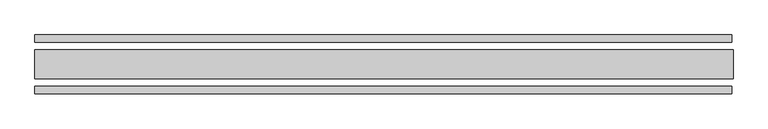
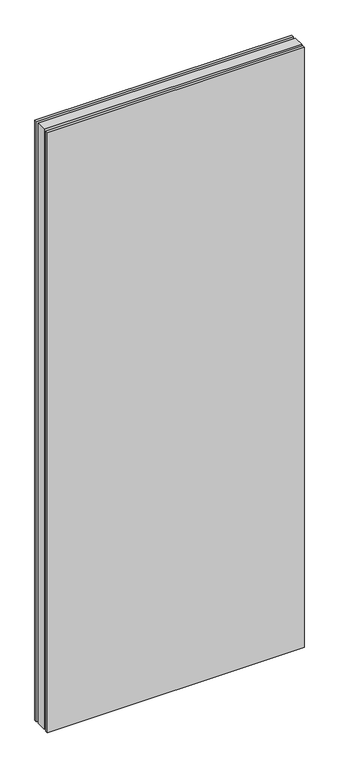
"""IFC4 building model written with IfcOpenShell, lengths in millimetres: plate geometry."""

from ifc_helpers import new_model, si_unit, origin, origin_with_axes, place, context, project, spatial, polyline, outline, extrude, source, transform, mapped, element, save


def plate_38be65d9(model_context):
    return source(origin(), model_context, "Body", "SweptSolid", [
        extrude(outline(polyline([(595.0, 25.0), (595.0, -25.0), (-593.0, -25.0), (-593.0, 25.0), (595.0, 25.0)])), origin_with_axes(), (0.0, 0.0, 1.0), 2930.0),
        extrude(outline(polyline([(593.0, 50.0), (593.0, 37.5), (-593.0, 37.5), (-593.0, 50.0), (593.0, 50.0)])), origin_with_axes(), (0.0, 0.0, 1.0), 2930.0),
        extrude(outline(polyline([(-593.0, -37.5), (593.0, -37.5), (593.0, -50.0), (-593.0, -50.0), (-593.0, -37.5)])), origin_with_axes(), (0.0, 0.0, 1.0), 2930.0),
    ])


if __name__ == "__main__":
    model = new_model("IFC4")
    model_context = context("Model", 3, world=origin())
    ifc_project = project(units=[si_unit("LENGTHUNIT", "METRE", prefix="MILLI")], contexts=[model_context])
    site = spatial("IfcSite", under=ifc_project)
    building = spatial("IfcBuilding", under=site)
    placement = place(None, origin())
    plate_shape = plate_38be65d9(model_context)
    element("IfcPlate", 1, at=placement, inside=building, context=model_context, shape_type="MappedRepresentation", body=[
        mapped(plate_shape, transform((0.0, 0.0, 0.0), x_axis=(1.0, 0.0, 0.0), y_axis=(0.0, 1.0, 0.0), z_axis=(0.0, 0.0, 1.0))),
    ])
    save(model, "model.ifc")
